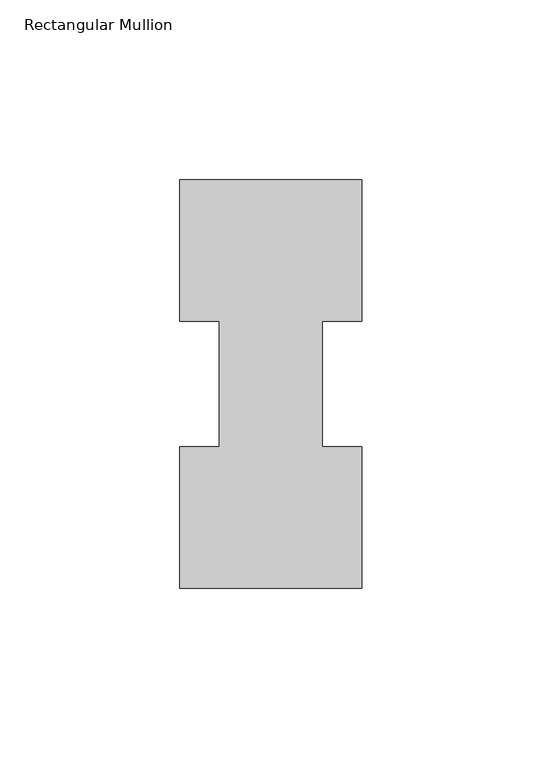
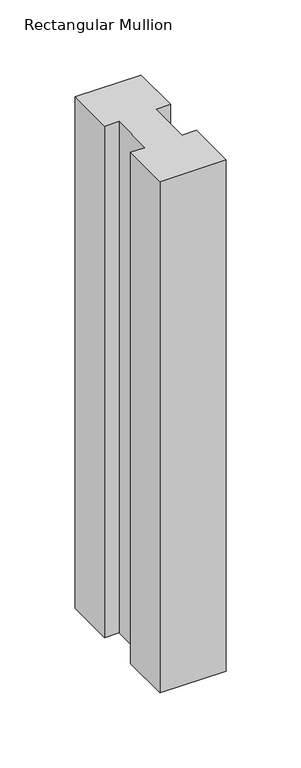
"""IFC4 building model written with IfcOpenShell, lengths in millimetres: member geometry, Rectangular Mullion."""

from ifc_helpers import new_model, si_unit, frame, origin, place, context, project, spatial, polyline, outline, extrude, source, transform, mapped, element, save


def rectangular_mullion_258e18a5(model_context):
    return source(origin(), model_context, "Body", "SweptSolid", [
        extrude(outline(polyline([(-50.8, 114.017425), (0.0, 114.017425), (0.0, 74.596625), (-11.0998, 74.596625), (-11.0998, 39.646225), (0.0, 39.646225), (0.0, 0.225425), (-50.8, 0.225425), (-50.8, 39.646225), (-39.6875, 39.646225), (-39.6875, 74.596625), (-50.8, 74.596625), (-50.8, 114.017425)])), frame((0.0, 0.0, -415.925), z_axis=(0.0, 0.0, 1.0), x_axis=(1.0, 0.0, 0.0)), (0.0, 0.0, 1.0), 415.925),
    ])


if __name__ == "__main__":
    model = new_model("IFC4")
    model_context = context("Model", 3, world=origin())
    ifc_project = project(units=[si_unit("LENGTHUNIT", "METRE", prefix="MILLI")], contexts=[model_context])
    site = spatial("IfcSite", under=ifc_project)
    building = spatial("IfcBuilding", under=site)
    placement = place(None, origin())
    rectangular_mullion_shape = rectangular_mullion_258e18a5(model_context)
    element("IfcMember", 1, ObjectType="Rectangular Mullion", at=placement, inside=building, context=model_context, shape_type="MappedRepresentation", body=[
        mapped(rectangular_mullion_shape, transform((0.0, 0.0, 0.0), x_axis=(1.0, 0.0, 0.0), y_axis=(0.0, 1.0, 0.0), z_axis=(0.0, 0.0, 1.0))),
    ])
    save(model, "model.ifc")
